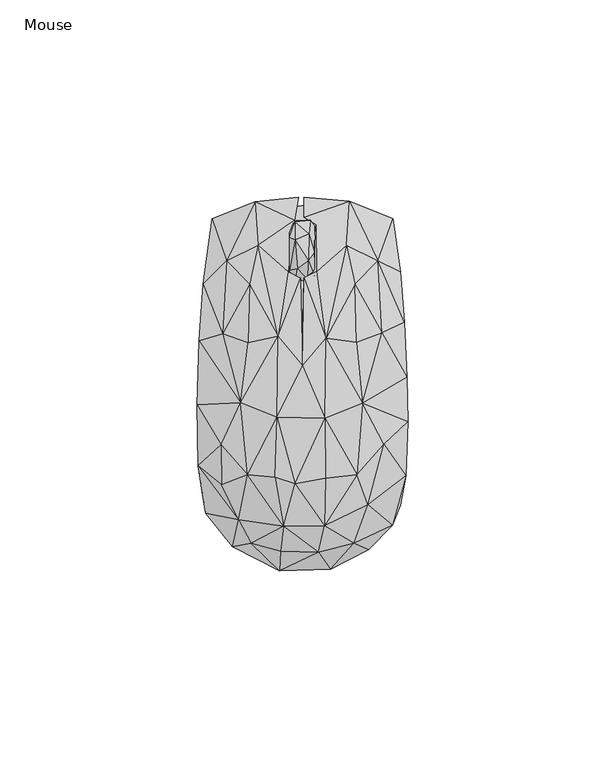
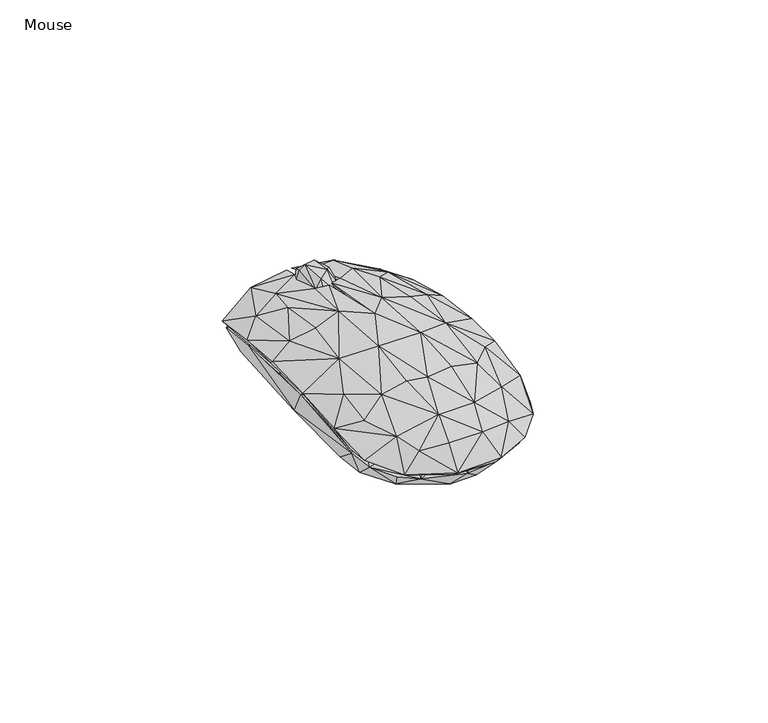
"""IFC4 building model written with IfcOpenShell, lengths in millimetres: furniture geometry, Mouse."""

from ifc_helpers import new_model, si_unit, origin, place, context, project, spatial, triangles, source, transform, mapped, element, save


def mouse_6022a990(model_context):
    return source(origin(), model_context, "Body", "Tessellation", [
        triangles([(-1.7870588, 25.5556962, 15.0905907), (1.4279112, 26.2556966, 17.1901639), (-1.2795735, 29.2699862, 20.2893071), (-3.1870585, 28.7699849, 18.0897343), (2.0353974, 41.5199902, 14.9905912), (-1.7870578, 41.1199919, 16.5901631), (1.7353971, 38.1057046, 19.6893074), (3.1353964, 27.4628404, 17.4901638), (1.5279117, 31.2771243, 21.0893059), (3.1353969, 33.2842738, 20.0893079), (-3.1870579, 37.2057028, 18.8897343), (-1.8870581, 36.5985564, 20.4893062), (1.5279115, 29.1699832, 6.1931613), (3.2353968, 31.9842736, 6.2931615), (3.0353962, 27.1628406, 9.1923049), (-1.6870586, 26.4556958, 8.992304), (-1.6870583, 31.477128, 5.2931618), (-0.0795731, 35.0985571, 5.0931615), (-3.0870581, 33.6914142, 6.1931613), (2.2353969, 37.7057018, 6.3931616), (3.2353971, 39.9199925, 12.4914477), (-3.1870585, 26.8556963, 10.3918768), (-3.0870578, 40.0199909, 11.4914475), (-1.6870579, 39.2128454, 7.4927334), (1.9353972, 41.1199919, 10.091877), (-1.5870578, 41.4199918, 11.7914485), (2.0353964, 25.4556955, 12.9914479)], [[1, 2, 3], [1, 3, 4], [5, 6, 7], [2, 8, 9], [2, 9, 3], [8, 10, 9], [6, 11, 12], [6, 12, 7], [4, 12, 11], [4, 3, 12], [3, 9, 12], [9, 7, 12], [9, 10, 7], [13, 14, 15], [13, 16, 17], [13, 17, 18], [13, 18, 14], [13, 15, 16], [17, 19, 18], [17, 16, 19], [14, 18, 20], [14, 20, 21], [14, 21, 10], [14, 10, 15], [19, 16, 22], [19, 23, 24], [19, 24, 18], [19, 22, 4], [19, 4, 23], [18, 24, 20], [20, 25, 21], [20, 24, 25], [24, 23, 26], [24, 26, 25], [16, 15, 27], [16, 27, 1], [16, 1, 22], [15, 8, 27], [15, 10, 8], [22, 1, 4], [25, 26, 5], [25, 5, 21], [27, 8, 2], [27, 2, 1], [23, 4, 11], [23, 11, 6], [23, 6, 26], [26, 6, 5], [21, 5, 7], [21, 7, 10]]),
        triangles([(-11.1957817, 35.1929554, 15.7576683), (-6.1527693, 12.0434861, 22.6493329), (-3.6527686, 28.4764663, 18.7493336), (-2.0097545, 41.52594, 14.4576693), (11.1762709, 35.1929554, 15.7576683), (3.6332581, 40.4094475, 14.55767), (3.7332574, 28.5764693, 19.3493345), (6.0332561, 11.6269952, 22.7493336), (-4.7527724, -36.0049312, 19.4493352), (5.6332539, -35.9049282, 19.3493345), (-1.8097586, -25.2719494, 23.3493333), (-6.9527716, -23.6719494, 22.949335), (-13.8957838, -22.9554575, 20.8493338), (5.8332542, -23.8719486, 23.0493335), (13.8762674, -22.9554575, 20.8493338), (-6.3527707, -8.422476, 24.3493336), (5.7332552, -8.6224757, 24.4493343), (3.5332543, -25.7719484, 21.6493349), (-5.7527716, -23.4554587, 21.849334), (4.6332547, -15.1389674, 23.0493335), (13.7762667, -22.6554576, 19.6493343), (-15.6387961, -4.7059846, 21.5493319), (-13.7957842, -22.6554576, 19.6493343), (-6.0527709, -8.3224764, 23.1493342), (-13.8957827, -5.705984, 21.0493329), (13.8762685, -5.6059862, 21.0493329), (15.2192802, -4.9059863, 21.7493333), (-0.1097569, 6.1269959, 22.7493336), (6.0332556, -1.3059859, 23.0493335), (0.0902431, 4.6105051, 24.1493345), (-6.1527693, 11.5269956, 21.4493335), (-13.795782, 10.4269957, 21.0493329), (-15.0387952, 9.6269969, 19.3493345), (5.9332566, 16.0434861, 20.7493353), (15.5192812, 11.126995, 18.9493339), (13.7762689, 10.5269942, 21.0493329), (0.3902444, 26.8764686, 19.9493342), (-0.4097556, 26.7764679, 19.6493343), (-6.1527727, -46.2214202, 7.5660052), (-17.7387973, -41.3049279, 8.5660049), (-10.695785, -40.1049285, 13.066005), (0.1902401, -42.7214203, 13.3576705), (5.4332525, -46.4214216, 7.4660045), (-5.7527733, -47.3214211, 8.5660049), (7.1332532, -46.9214229, 8.5660049), (4.1332535, -42.6214173, 14.9576694), (-5.5527724, -42.4214205, 14.8576698), (-12.9957865, -40.3049299, 13.6576693), (12.876266, -39.5049288, 12.5660049), (16.8192779, -42.0214176, 8.4660053), (5.7332535, -41.1049265, 14.257669), (13.0762662, -40.3049299, 13.6576693), (15.9192772, -33.78844, 14.6576695), (24.8622928, -30.6884429, 9.4660045), (22.8622923, -35.8049321, 9.7660055), (-16.1387973, -34.3884374, 15.6576687), (-24.481811, -32.7884374, 10.2660056), (-25.3818106, -27.2719477, 10.5660043), (-15.8387986, -33.78844, 14.55767), (-5.5527724, -35.3884354, 18.1576682), (4.7332532, -35.3884354, 18.2576701), (16.6192765, -30.58844, 17.1576702), (26.2622937, -23.2554596, 12.8660047), (-26.3818108, -20.7554555, 13.4576701), (20.1192775, -25.6719523, 15.5576691), (-26.6818084, -5.305984, 14.9576694), (-20.4387983, -23.3554558, 15.8576701), (26.5622935, 1.7105035, 15.0576701), (26.7622927, -9.6224777, 15.0576701), (20.4192796, -14.4389681, 17.5576697), (20.7192795, -15.2389692, 18.6576695), (-25.1818069, 25.2764686, 12.266005), (-26.1818094, 11.0269966, 14.6576695), (-20.2387969, 12.7434877, 17.8576684), (-19.2387943, 31.1929611, 14.0576698), (-22.8818087, 41.8259399, 7.3660049), (-25.7818088, 12.7434888, 13.1576691), (24.8622974, 28.4764663, 11.466005), (25.9622961, 15.6434833, 13.9576703), (22.9622953, 41.8259399, 7.3660049), (19.2192802, 31.1929566, 14.0576698), (20.6192788, -1.505987, 17.8576684), (19.019281, 30.1929586, 13.0576695), (-11.9957806, 46.2259393, 11.166004), (-15.7387922, 44.2259388, 9.2660047), (-19.5387942, 22.3599792, 14.9576694), (-1.0097544, 47.3259403, 11.9660052), (-11.2957813, 34.7929549, 14.55767), (-13.1957811, 24.876468, 16.95767), (0.4902454, 47.3259403, 12.0660047), (0.490245, 42.3259412, 14.1576694), (11.9762721, 46.3259423, 11.166004), (11.5762715, 45.5259366, 10.2660056), (11.3762701, 34.7929549, 14.55767), (-20.4387983, -25.571947, 16.7576685), (-20.6387952, -15.4389661, 18.6576695), (-20.7818097, -6.8224754, 17.8576684), (20.2192805, 13.0434853, 17.8576684), (-13.3957814, 25.2764663, 18.1576682), (13.3762706, 25.2764663, 18.1576682), (0.8902441, 26.476468, 18.7576691), (13.2762711, 24.876468, 16.95767), (-3.7388627, -39.9733368, 0.003408), (3.9916225, -39.7733354, 0.003408), (-2.1388631, -45.773337, 6.3030804), (-13.6998349, -42.3733402, 6.6030796), (-15.5998336, -33.0558788, 0.003408), (15.6525931, -33.0558788, 0.003408), (7.0221084, -44.9733405, 6.4030799), (-20.9303176, -24.0209584, 0.003408), (20.8830799, -24.1209614, 0.003408), (-23.2303181, -33.0558788, 7.8030802), (-18.7998324, -38.9558798, 6.9030801), (15.6525931, -41.2733346, 6.7030804), (23.5830809, -32.5384186, 7.9030804), (-21.9303179, -15.9034987, 0.203408), (-21.6303181, 7.6663397, 0.003408), (-25.1303179, -27.4384165, 9.3030801), (21.9830786, -20.220961, 0.603408), (21.4830819, 9.366337, 0.003408), (25.4830784, -24.6209626, 10.1030806), (-26.1303159, -3.3685807, 13.102751), (-24.3303145, 26.2187212, 9.8030796), (-20.3303157, 36.9361743, 0.003408), (7.2221132, 38.3361729, 0.003408), (20.3830831, 36.9361743, 0.003408), (22.283083, 40.8536337, 5.6034081), (24.2830836, 27.218717, 9.6030794), (25.4830807, 12.3663362, 12.1027519), (-22.2303155, 40.9536367, 5.6034081), (-5.5388573, 38.4361759, 0.003408), (-10.5693437, 44.8536348, 9.2030799), (7.0221141, 45.4536345, 9.8030796), (17.1525981, 43.1536341, 7.6030799), (-18.6998283, 30.1187216, 11.9027516), (18.752597, 30.1187194, 11.9027516), (-3.2388628, -41.9733373, 11.7027513), (-5.8388628, -37.3558821, 15.4027515), (-13.0693478, -35.3558815, 13.9027522), (5.2916226, -41.573339, 11.802752), (19.1525918, -33.6558785, 10.9030795), (13.0525951, -35.3558815, 13.9027522), (-20.3303202, -22.820959, 14.6027515), (19.9830803, -22.2209615, 15.002752), (-26.0303175, -14.8034989, 12.3027522), (26.0830827, -11.9860428, 12.602752), (-25.7303176, 8.2663389, 12.602752), (-19.7303159, 12.6663394, 15.6027517), (-8.8693436, 36.2361739, 13.2027506), (0.8916275, 34.5361709, 14.9027513), (12.8221132, 29.7187188, 14.3027516), (6.2916269, 33.1361746, 14.9027513), (1.6916232, -35.7558798, 17.0024244), (6.7221097, -33.7558793, 17.2024236), (-6.2388617, -29.2384202, 19.002425), (-13.4998335, -26.2209604, 17.6024253), (13.5525953, -26.2209604, 17.6024253), (-20.2303172, -9.8860392, 16.80275), (-13.6998337, -14.3034999, 19.6024259), (20.5830823, -5.7685836, 16.7027527), (13.7525956, -14.3035022, 19.6024259), (-16.199831, -0.8685816, 18.6024256), (19.8830819, 9.5663367, 16.0027523), (13.7525967, -2.1685834, 19.802425), (-13.0693433, 24.6012577, 15.802752), (-13.4998312, 10.1663387, 18.6024256), (13.5525975, 10.1663364, 18.6024256), (-6.1388587, 24.3012579, 17.5024257), (6.7221119, 16.3837951, 19.3024237), (1.6916263, 15.1837957, 20.0024242), (1.6916238, -24.6209604, 20.802423), (6.9221094, -22.9209597, 20.5024232), (-6.2388611, -17.6034994, 21.402425), (6.4916238, -12.0860401, 21.8024256), (1.1916248, -8.8860401, 22.4024253), (-6.0388603, -5.468582, 22.0024247), (6.9221111, -0.6685829, 21.5024234), (1.6916256, 4.2488793, 21.7024226), (-6.1388598, 7.6663386, 20.802423)], [[1, 2, 3], [1, 3, 4], [5, 6, 7], [5, 7, 8], [9, 10, 11], [9, 12, 13], [9, 11, 12], [10, 14, 11], [10, 15, 14], [12, 11, 16], [12, 16, 13], [11, 14, 17], [11, 17, 16], [18, 19, 20], [18, 20, 21], [14, 15, 17], [13, 16, 22], [23, 24, 19], [23, 25, 24], [19, 24, 20], [21, 20, 26], [15, 27, 17], [20, 24, 28], [20, 29, 26], [20, 28, 29], [16, 17, 30], [16, 30, 2], [16, 2, 22], [24, 25, 31], [24, 31, 28], [17, 27, 8], [17, 8, 30], [22, 2, 32], [25, 33, 31], [29, 28, 34], [29, 35, 26], [29, 34, 35], [27, 36, 8], [30, 8, 37], [30, 38, 2], [30, 28, 38], [30, 37, 28], [31, 3, 38], [31, 38, 28], [8, 7, 37], [2, 38, 3], [39, 40, 41], [39, 41, 42], [39, 42, 43], [39, 44, 40], [39, 43, 44], [44, 45, 46], [44, 47, 48], [44, 46, 47], [44, 48, 40], [44, 43, 45], [43, 49, 50], [43, 42, 51], [43, 51, 49], [43, 50, 45], [45, 50, 52], [45, 52, 46], [50, 49, 53], [50, 53, 54], [50, 54, 55], [50, 55, 52], [40, 48, 56], [40, 56, 57], [40, 58, 59], [40, 59, 41], [40, 57, 58], [41, 59, 60], [41, 60, 42], [49, 51, 61], [49, 61, 53], [55, 62, 52], [55, 63, 62], [55, 54, 63], [57, 56, 64], [57, 64, 58], [54, 53, 65], [54, 65, 63], [58, 64, 66], [58, 67, 59], [58, 66, 67], [63, 68, 69], [63, 65, 70], [63, 70, 68], [63, 71, 62], [63, 69, 71], [72, 73, 74], [72, 74, 75], [72, 75, 76], [72, 76, 77], [72, 77, 73], [78, 79, 68], [78, 80, 81], [78, 81, 79], [78, 82, 35], [78, 68, 82], [78, 83, 80], [78, 35, 83], [76, 84, 85], [76, 75, 84], [76, 85, 86], [76, 86, 77], [85, 84, 87], [85, 87, 88], [85, 89, 86], [85, 88, 89], [84, 75, 1], [84, 1, 4], [84, 4, 87], [87, 4, 88], [90, 91, 92], [90, 93, 91], [90, 92, 93], [93, 80, 83], [93, 94, 6], [93, 83, 94], [93, 6, 91], [93, 92, 80], [92, 5, 81], [92, 81, 80], [92, 6, 5], [92, 91, 6], [47, 9, 48], [47, 46, 9], [42, 60, 61], [42, 61, 51], [46, 52, 10], [46, 10, 9], [48, 9, 56], [52, 62, 10], [56, 9, 13], [56, 13, 95], [56, 95, 64], [59, 67, 23], [59, 23, 60], [60, 18, 61], [60, 23, 19], [60, 19, 18], [61, 18, 21], [61, 21, 53], [53, 21, 65], [62, 71, 15], [62, 15, 10], [95, 96, 64], [95, 13, 96], [65, 21, 70], [64, 96, 66], [67, 97, 23], [67, 66, 97], [96, 13, 22], [96, 22, 66], [70, 82, 68], [70, 21, 26], [70, 26, 82], [71, 69, 27], [71, 27, 15], [97, 66, 77], [97, 77, 33], [97, 25, 23], [97, 33, 25], [69, 68, 27], [66, 73, 77], [66, 22, 73], [82, 26, 35], [68, 98, 27], [68, 79, 98], [73, 22, 74], [77, 86, 33], [74, 99, 75], [74, 22, 32], [74, 32, 99], [98, 79, 81], [98, 100, 36], [98, 81, 100], [98, 36, 27], [86, 89, 33], [99, 1, 75], [99, 32, 2], [99, 2, 1], [89, 88, 31], [89, 31, 33], [101, 37, 7], [101, 94, 34], [101, 6, 94], [101, 34, 28], [101, 28, 37], [101, 7, 6], [102, 94, 83], [102, 83, 35], [102, 35, 34], [102, 34, 94], [100, 5, 8], [100, 81, 5], [100, 8, 36], [88, 4, 3], [88, 3, 31], [103, 104, 105], [103, 105, 106], [103, 107, 104], [103, 106, 107], [104, 107, 108], [104, 109, 105], [104, 108, 109], [107, 110, 111], [107, 111, 108], [107, 112, 110], [107, 113, 112], [107, 106, 113], [108, 114, 109], [108, 111, 115], [108, 115, 114], [110, 116, 117], [110, 117, 111], [110, 112, 118], [110, 118, 116], [111, 119, 115], [111, 117, 120], [111, 120, 119], [119, 120, 121], [119, 121, 115], [116, 118, 117], [117, 118, 122], [117, 123, 124], [117, 122, 123], [117, 124, 120], [120, 124, 125], [120, 125, 126], [120, 126, 127], [120, 127, 128], [120, 128, 129], [120, 129, 121], [124, 130, 131], [124, 131, 125], [124, 123, 130], [131, 130, 132], [131, 132, 125], [125, 132, 133], [125, 133, 134], [125, 134, 126], [126, 134, 127], [130, 123, 135], [130, 135, 132], [127, 134, 136], [127, 136, 128], [106, 137, 138], [106, 112, 113], [106, 105, 137], [106, 139, 112], [106, 138, 139], [105, 109, 140], [105, 140, 137], [109, 114, 140], [114, 141, 142], [114, 115, 141], [114, 142, 140], [112, 139, 143], [112, 143, 118], [141, 115, 121], [141, 121, 144], [141, 144, 142], [118, 145, 122], [118, 143, 145], [121, 129, 146], [121, 146, 144], [123, 147, 148], [123, 148, 135], [123, 122, 147], [128, 136, 129], [132, 135, 149], [132, 149, 150], [132, 150, 133], [133, 151, 134], [133, 150, 152], [133, 152, 151], [134, 151, 136], [137, 140, 153], [137, 153, 138], [140, 142, 154], [140, 154, 153], [139, 138, 155], [139, 155, 156], [139, 156, 143], [138, 153, 155], [142, 144, 157], [142, 157, 154], [143, 158, 145], [143, 156, 159], [143, 159, 158], [144, 146, 160], [144, 160, 161], [144, 161, 157], [145, 158, 122], [158, 159, 162], [158, 162, 122], [146, 129, 160], [122, 162, 147], [160, 163, 164], [160, 129, 163], [160, 164, 161], [147, 162, 148], [148, 165, 135], [148, 162, 166], [148, 166, 165], [163, 129, 136], [163, 151, 167], [163, 136, 151], [163, 167, 164], [165, 149, 135], [165, 166, 168], [165, 168, 149], [151, 152, 169], [151, 169, 167], [149, 168, 150], [150, 170, 152], [150, 168, 170], [152, 170, 169], [153, 154, 171], [153, 171, 155], [154, 172, 171], [154, 157, 172], [155, 171, 173], [155, 173, 156], [156, 173, 159], [171, 172, 174], [171, 175, 173], [171, 174, 175], [172, 157, 161], [172, 161, 174], [159, 173, 176], [159, 176, 162], [173, 175, 176], [161, 177, 174], [161, 164, 177], [175, 174, 177], [175, 177, 178], [175, 178, 176], [162, 176, 179], [162, 179, 166], [176, 178, 179], [177, 164, 167], [177, 167, 169], [177, 170, 178], [177, 169, 170], [178, 170, 179], [166, 179, 168], [179, 170, 168]]),
    ])


if __name__ == "__main__":
    model = new_model("IFC4")
    model_context = context("Model", 3, world=origin())
    ifc_project = project(units=[si_unit("LENGTHUNIT", "METRE", prefix="MILLI")], contexts=[model_context])
    site = spatial("IfcSite", under=ifc_project)
    building = spatial("IfcBuilding", under=site)
    placement = place(None, origin())
    mouse_shape = mouse_6022a990(model_context)
    element("IfcFurniture", 1, ObjectType="Mouse", at=placement, inside=building, context=model_context, shape_type="MappedRepresentation", body=[
        mapped(mouse_shape, transform((0.0, 0.0, 0.0), x_axis=(1.0, 0.0, 0.0), y_axis=(0.0, 1.0, 0.0), z_axis=(0.0, 0.0, 1.0))),
    ])
    save(model, "model.ifc")
